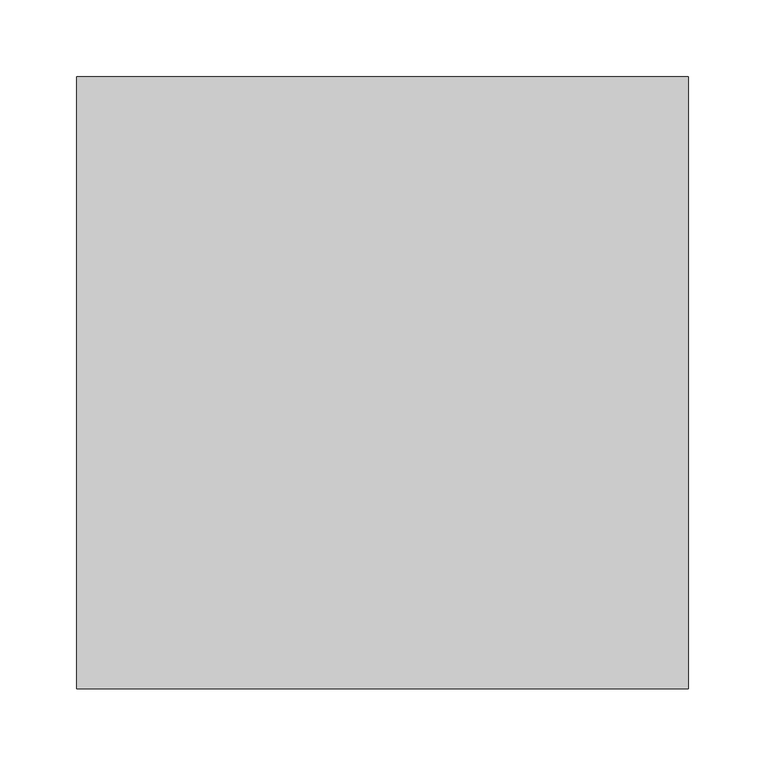
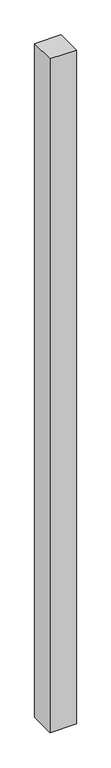
"""IFC4 building model written with IfcOpenShell, lengths in millimetres: column geometry."""

from ifc_helpers import new_model, si_unit, frame, origin, place, context, project, spatial, polyline, outline, extrude, source, transform, mapped, element, save


def column_06988548(model_context):
    return source(origin(), model_context, "Body", "SweptSolid", [
        extrude(outline(polyline([(200.0, 200.0), (200.0, -200.0), (-200.0, -200.0), (-200.0, 200.0), (200.0, 200.0)])), frame((0.0, 0.0, -3300.0), z_axis=(0.0, 0.0, 1.0), x_axis=(1.0, 0.0, 0.0)), (0.0, 0.0, 1.0), 10800.0),
    ])


if __name__ == "__main__":
    model = new_model("IFC4")
    model_context = context("Model", 3, world=origin())
    ifc_project = project(units=[si_unit("LENGTHUNIT", "METRE", prefix="MILLI")], contexts=[model_context])
    site = spatial("IfcSite", under=ifc_project)
    building = spatial("IfcBuilding", under=site)
    placement = place(None, origin())
    column_shape = column_06988548(model_context)
    element("IfcColumn", 1, at=placement, inside=building, context=model_context, shape_type="MappedRepresentation", body=[
        mapped(column_shape, transform((0.0, 0.0, 0.0), x_axis=(1.0, 0.0, 0.0), y_axis=(0.0, 1.0, 0.0), z_axis=(0.0, 0.0, 1.0))),
    ])
    save(model, "model.ifc")
